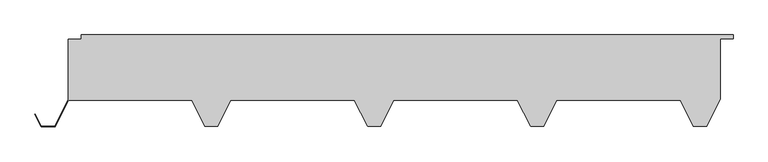
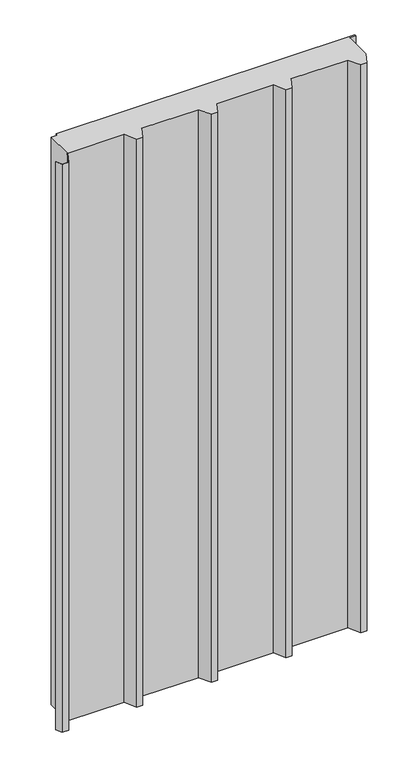
"""IFC4 building model written with IfcOpenShell, lengths in millimetres: plate geometry."""

import ifcopenshell
import ifcopenshell.guid

model = None  # the IFC model being written
_history = None  # IfcOwnerHistory: only IFC2X3 demands one
_inside = {}  # id of a spatial element -> (the spatial element, [elements in it])
_under = {}  # id of a project, library or spatial element -> (it, [spatial elements below it])
_declared = {}  # id of a project -> (the project, [libraries it declares])
_typed = {}  # id of a type object -> (the type object, [elements of that type])
_made_of = {}  # id of a material, layer set ... -> (it, [elements and type objects made of it])


def new_model(schema):
    """Start an empty IFC model of exactly this schema.

    Asked for "IFC4X3", IfcOpenShell would pick the latest addendum, in which some entities
    have other attributes; the version numbers below select the first issue.
    IFC2X3 requires an IfcOwnerHistory on every rooted entity: one is made here for all.
    """
    global model, _history
    if schema == "IFC4X3":
        model = ifcopenshell.file(schema_version=(4, 3, 0, 0))
    else:
        model = ifcopenshell.file(schema=schema)
    _inside.clear()
    _under.clear()
    _declared.clear()
    _typed.clear()
    _made_of.clear()
    _history = None
    if model.schema == "IFC2X3":
        org = make("IfcOrganization", Name="unknown")
        user = make(
            "IfcPersonAndOrganization",
            ThePerson=make("IfcPerson", FamilyName="unknown"),
            TheOrganization=org,
        )
        app = make(
            "IfcApplication",
            ApplicationDeveloper=org,
            Version="unknown",
            ApplicationFullName="unknown",
            ApplicationIdentifier="unknown",
        )
        _history = make(
            "IfcOwnerHistory",
            OwningUser=user,
            OwningApplication=app,
            ChangeAction="ADDED",
            CreationDate=0,
        )
    return model


def make(cls, **values):
    """One entity of the class cls with the attributes given. An attribute that is None is left unset."""
    return model.create_entity(
        cls, **{name: value for name, value in values.items() if value is not None}
    )


def rooted(cls, **values):
    """An entity with a GlobalId (a new one), such as an element, a storey or a relation."""
    return make(cls, GlobalId=ifcopenshell.guid.new(), OwnerHistory=_history, **values)


def si_unit(unit_type, name, prefix=None):
    """IfcSIUnit, for example si_unit("LENGTHUNIT", "METRE", prefix="MILLI")."""
    return make("IfcSIUnit", UnitType=unit_type, Prefix=prefix, Name=name)


def assignment(units):
    """IfcUnitAssignment: the units of a project."""
    return None if units is None else make("IfcUnitAssignment", Units=units)


def point(xyz):
    """IfcCartesianPoint."""
    return None if xyz is None else make("IfcCartesianPoint", Coordinates=xyz)


def direction(xyz):
    """IfcDirection."""
    return None if xyz is None else make("IfcDirection", DirectionRatios=xyz)


def frame(location, z_axis=None, x_axis=None):
    """IfcAxis2Placement3D, a coordinate frame: its origin and axes. An axis left out is left unset."""
    return make(
        "IfcAxis2Placement3D",
        Location=point(location),
        Axis=direction(z_axis),
        RefDirection=direction(x_axis),
    )


def origin():
    """The frame at (0, 0, 0) with its axes left unset."""
    return frame((0.0, 0.0, 0.0))


def origin_with_axes():
    """The frame at (0, 0, 0) with the z axis (0, 0, 1) and the x axis (1, 0, 0) written out."""
    return frame((0.0, 0.0, 0.0), z_axis=(0.0, 0.0, 1.0), x_axis=(1.0, 0.0, 0.0))


def place(relative_to, where):
    """IfcLocalPlacement: puts the frame where relative to a parent placement (None: the world)."""
    return make(
        "IfcLocalPlacement", PlacementRelTo=relative_to, RelativePlacement=where
    )


def context(
    kind, dimensions, precision=None, world=None, true_north=None, identifier=None
):
    """IfcGeometricRepresentationContext, for example the 3D "Model" context."""
    return make(
        "IfcGeometricRepresentationContext",
        ContextIdentifier=identifier,
        ContextType=kind,
        CoordinateSpaceDimension=dimensions,
        Precision=precision,
        WorldCoordinateSystem=world,
        TrueNorth=true_north,
    )


def project(units=None, contexts=None):
    """IfcProject with its units and contexts."""
    return rooted(
        "IfcProject",
        Name="project",
        RepresentationContexts=contexts,
        UnitsInContext=assignment(units),
    )


def spatial(cls, under=None, at=None, **own):
    """A site, building, storey or space (cls), placed at a placement, below another one or the project."""
    s = rooted(cls, ObjectPlacement=at, **own)
    if under is not None:
        _under.setdefault(under.id(), (under, []))[1].append(s)
    return s


def polyline(points):
    """IfcPolyline through the points."""
    return make("IfcPolyline", Points=[point(p) for p in points])


def outline(outer, holes=None, kind="AREA"):
    """IfcArbitraryClosedProfileDef: a profile drawn as a closed curve; with holes, ...WithVoids."""
    if holes is None:
        return make("IfcArbitraryClosedProfileDef", ProfileType=kind, OuterCurve=outer)
    return make(
        "IfcArbitraryProfileDefWithVoids",
        ProfileType=kind,
        OuterCurve=outer,
        InnerCurves=holes,
    )


def extrude(swept, where, along, depth):
    """IfcExtrudedAreaSolid: the profile swept, set in the frame where, extruded along a direction by depth."""
    return make(
        "IfcExtrudedAreaSolid",
        SweptArea=swept,
        Position=where,
        ExtrudedDirection=direction(along),
        Depth=depth,
    )


def shape(context_of_items, identifier, shape_type, items):
    """IfcShapeRepresentation: the items that make up one representation, for example the "Body"."""
    return make(
        "IfcShapeRepresentation",
        ContextOfItems=context_of_items,
        RepresentationIdentifier=identifier,
        RepresentationType=shape_type,
        Items=items,
    )


def source(mapping_origin, context_of_items, identifier, shape_type, items):
    """IfcRepresentationMap: a shape defined once, which mapped items show again and again."""
    return make(
        "IfcRepresentationMap",
        MappingOrigin=mapping_origin,
        MappedRepresentation=shape(context_of_items, identifier, shape_type, items),
    )


def transform(
    local_origin,
    x_axis=None,
    y_axis=None,
    z_axis=None,
    scale=None,
    scale2=None,
    scale3=None,
    uniform=True,
):
    """IfcCartesianTransformationOperator3D, or its non-uniform kind. x_axis, y_axis, z_axis: its Axis1, 2, 3."""
    if uniform:
        return make(
            "IfcCartesianTransformationOperator3D",
            Axis1=direction(x_axis),
            Axis2=direction(y_axis),
            LocalOrigin=point(local_origin),
            Scale=scale,
            Axis3=direction(z_axis),
        )
    return make(
        "IfcCartesianTransformationOperator3DnonUniform",
        Axis1=direction(x_axis),
        Axis2=direction(y_axis),
        LocalOrigin=point(local_origin),
        Scale=scale,
        Axis3=direction(z_axis),
        Scale2=scale2,
        Scale3=scale3,
    )


def mapped(mapping_source, mapping_target):
    """IfcMappedItem: shows the shape of a source again, moved by a transform."""
    return make(
        "IfcMappedItem", MappingSource=mapping_source, MappingTarget=mapping_target
    )


def made_of(thing, what):
    """Note that an element or type object is made of a material, layer set ...; save() writes the relation."""
    if what is not None:
        _made_of.setdefault(what.id(), (what, []))[1].append(thing)
    return thing


def element(
    cls,
    number,
    at=None,
    inside=None,
    cuts=None,
    type_object=None,
    material=None,
    context=None,
    identifier="Body",
    shape_type=None,
    held_by="IfcProductDefinitionShape",
    body=None,
    shapes=None,
    **own,
):
    """One element of the class cls, such as IfcWall. Its Tag is "e" and its number.

    at: its placement. inside: the storey or other place that contains it. cuts: it is an
    opening in that element (IfcRelVoidsElement). A single representation is given by context,
    identifier, shape_type and body (its items); several are given by shapes. held_by: the class
    of the entity that holds the representations. save() writes the other relations.
    """
    e = rooted(cls, Tag="e%d" % number, ObjectPlacement=at, **own)
    if body is not None:
        shapes = [shape(context, identifier, shape_type, body)]
    if shapes is not None:
        e.Representation = make(held_by, Representations=shapes)
    if inside is not None:
        _inside.setdefault(inside.id(), (inside, []))[1].append(e)
    if cuts is not None:
        rooted(
            "IfcRelVoidsElement", RelatingBuildingElement=cuts, RelatedOpeningElement=e
        )
    if type_object is not None:
        _typed.setdefault(type_object.id(), (type_object, []))[1].append(e)
    return made_of(e, material)


def aggregate(whole, parts):
    """IfcRelAggregates: a whole, such as a stair, and the parts it consists of."""
    return rooted("IfcRelAggregates", RelatingObject=whole, RelatedObjects=parts)


def save(model, path):
    """Write the relations noted so far, then the file.

    IfcRelAggregates (storeys below a building ...), IfcRelContainedInSpatialStructure (elements
    in a storey), IfcRelDefinesByType, IfcRelAssociatesMaterial and IfcRelDeclares: one each for
    every whole, place, type object, material and project.
    """
    for whole, parts in _under.values():
        aggregate(whole, parts)
    for where, things in _inside.values():
        rooted(
            "IfcRelContainedInSpatialStructure",
            RelatedElements=things,
            RelatingStructure=where,
        )
    for kind, things in _typed.values():
        rooted("IfcRelDefinesByType", RelatedObjects=things, RelatingType=kind)
    for what, things in _made_of.values():
        rooted("IfcRelAssociatesMaterial", RelatedObjects=things, RelatingMaterial=what)
    for by, libraries in _declared.values():
        rooted("IfcRelDeclares", RelatingContext=by, RelatedDefinitions=libraries)
    model.write(path)


def plate_3cb96cad(model_context):
    return source(origin(), model_context, "Body", "SweptSolid", [
        extrude(outline(polyline([(479.2444272, -140.0), (459.2444272, -140.0), (439.2444272, -100.0), (249.2444272, -100.0), (229.2444272, -140.0), (209.2444272, -140.0), (189.2444272, -100.0), (-0.7555728, -100.0), (-20.7555728, -140.0), (-40.7555728, -140.0), (-60.7555728, -100.0), (-250.7555728, -100.0), (-270.7555728, -140.0), (-290.7555728, -140.0), (-310.7555728, -100.0), (-499.5055728, -100.0), (-520.0055728, -141.0), (-541.5055728, -141.0), (-550.9818107, -122.0475242), (-550.266269, -121.6897533), (-541.0111456, -140.2), (-520.5, -140.2), (-500.0, -99.2), (-500.0, -6.496736), (-480.0, -6.496736), (-480.0, 0.0), (520.0, 0.0), (520.0, -6.0), (500.0, -6.0), (500.0, -98.4888544), (479.2444272, -140.0)])), origin_with_axes(), (0.0, 0.0, 1.0), 2007.6396751),
    ])


if __name__ == "__main__":
    model = new_model("IFC4")
    model_context = context("Model", 3, world=origin())
    ifc_project = project(units=[si_unit("LENGTHUNIT", "METRE", prefix="MILLI")], contexts=[model_context])
    site = spatial("IfcSite", under=ifc_project)
    building = spatial("IfcBuilding", under=site)
    placement = place(None, origin())
    plate_shape = plate_3cb96cad(model_context)
    element("IfcPlate", 1, at=placement, inside=building, context=model_context, shape_type="MappedRepresentation", body=[
        mapped(plate_shape, transform((0.0, 0.0, 0.0), x_axis=(1.0, 0.0, 0.0), y_axis=(0.0, 1.0, 0.0), z_axis=(0.0, 0.0, 1.0))),
    ])
    save(model, "model.ifc")
